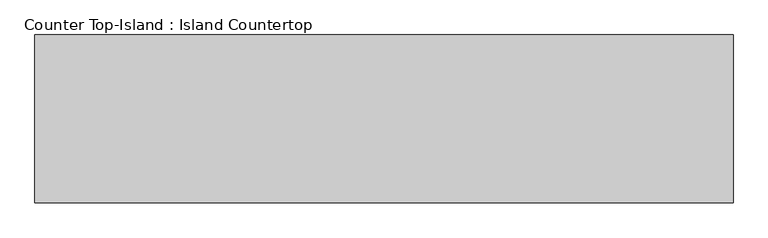
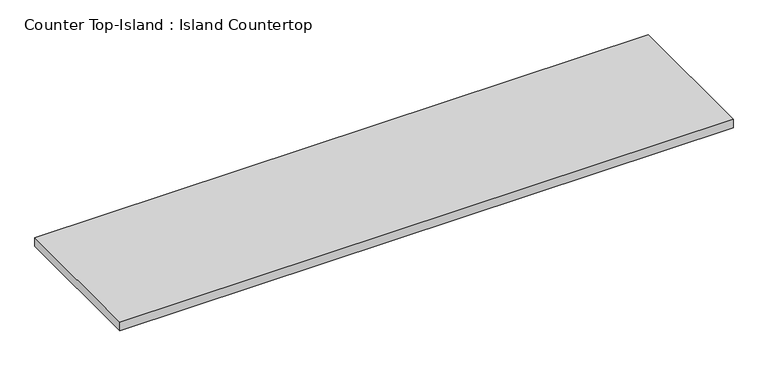
"""IFC4 building model written with IfcOpenShell, lengths in millimetres: furniture geometry, Counter Top-Island : Island Countertop."""

from ifc_helpers import new_model, si_unit, frame, origin, place, context, project, spatial, polyline, outline, extrude, source, transform, mapped, element, save


def counter_top_island_island_countertop_50bebda1(model_context):
    return source(origin(), model_context, "Body", "SweptSolid", [
        extrude(outline(polyline([(1441.1377049, 25.4), (1441.1377049, -609.6), (-1200.4622951, -609.6), (-1200.4622951, 25.4), (1441.1377049, 25.4)])), frame((0.0, 0.0, 876.3), z_axis=(0.0, 0.0, 1.0), x_axis=(1.0, 0.0, 0.0)), (0.0, 0.0, 1.0), 38.1),
    ])


if __name__ == "__main__":
    model = new_model("IFC4")
    model_context = context("Model", 3, world=origin())
    ifc_project = project(units=[si_unit("LENGTHUNIT", "METRE", prefix="MILLI")], contexts=[model_context])
    site = spatial("IfcSite", under=ifc_project)
    building = spatial("IfcBuilding", under=site)
    placement = place(None, origin())
    counter_top_island_island_countertop_shape = counter_top_island_island_countertop_50bebda1(model_context)
    element("IfcFurniture", 1, ObjectType="Counter Top-Island : Island Countertop", at=placement, inside=building, context=model_context, shape_type="MappedRepresentation", body=[
        mapped(counter_top_island_island_countertop_shape, transform((0.0, 0.0, 0.0), x_axis=(1.0, 0.0, 0.0), y_axis=(0.0, 1.0, 0.0), z_axis=(0.0, 0.0, 1.0))),
    ])
    save(model, "model.ifc")
